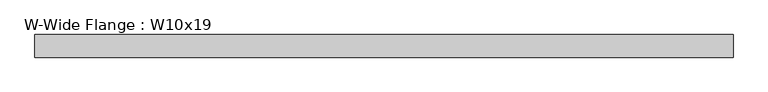
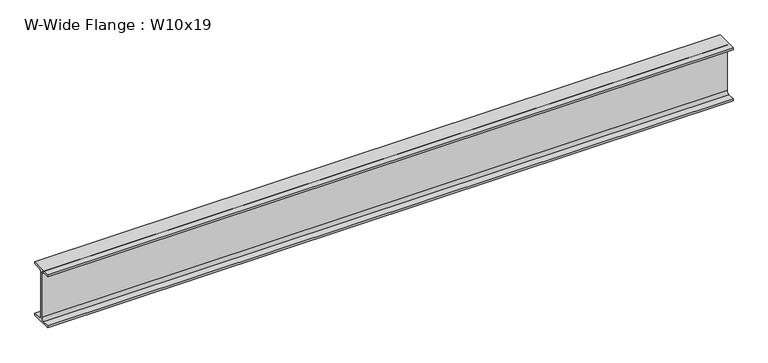
"""IFC4 building model written with IfcOpenShell, lengths in millimetres: beam geometry, W-Wide Flange : W10x19."""

from ifc_helpers import new_model, si_unit, point, frame, frame_2d, origin, place, context, project, spatial, polyline, circle_curve, trimmed, segment, composite_curve, outline, extrude, source, transform, mapped, element, save


def w_wide_flange_w10x19_125c3dc5(model_context):
    return source(origin(), model_context, "Body", "SweptSolid", [
        extrude(outline(composite_curve([segment(polyline([(51.054, -119.507), (51.054, -129.54), (-51.054, -129.54), (-51.054, -119.507), (-16.9545, -119.507)]), True, "CONTINUOUS"), segment(trimmed(circle_curve(frame_2d((-16.9545, -105.7275)), 13.7795), [point((-16.9545, -119.507))], [point((-3.175, -105.7275))], True, "CARTESIAN"), True, "CONTINUOUS"), segment(polyline([(-3.175, -105.7275), (-3.175, 105.7275)]), True, "CONTINUOUS"), segment(trimmed(circle_curve(frame_2d((-16.9545, 105.7275)), 13.7795), [point((-3.175, 105.7275))], [point((-16.9545, 119.507))], True, "CARTESIAN"), True, "CONTINUOUS"), segment(polyline([(-16.9545, 119.507), (-51.054, 119.507), (-51.054, 129.54), (51.054, 129.54), (51.054, 119.507), (16.9545, 119.507)]), True, "CONTINUOUS"), segment(trimmed(circle_curve(frame_2d((16.9545, 105.7275)), 13.7795), [point((16.9545, 119.507))], [point((3.175, 105.7275))], True, "CARTESIAN"), True, "CONTINUOUS"), segment(polyline([(3.175, 105.7275), (3.175, -105.7275)]), True, "CONTINUOUS"), segment(trimmed(circle_curve(frame_2d((16.9545, -105.7275)), 13.7795), [point((3.175, -105.7275))], [point((16.9545, -119.507))], True, "CARTESIAN"), True, "CONTINUOUS"), segment(polyline([(16.9545, -119.507), (51.054, -119.507)]), True, "CONTINUOUS")], self_intersect=False)), frame((-1499.8506998, 0.0, 0.0), z_axis=(1.0, 0.0, 0.0), x_axis=(0.0, 1.0, 0.0)), (0.0, 0.0, 1.0), 3152.1013996),
    ])


if __name__ == "__main__":
    model = new_model("IFC4")
    model_context = context("Model", 3, world=origin())
    ifc_project = project(units=[si_unit("LENGTHUNIT", "METRE", prefix="MILLI")], contexts=[model_context])
    site = spatial("IfcSite", under=ifc_project)
    building = spatial("IfcBuilding", under=site)
    placement = place(None, origin())
    w_wide_flange_w10x19_shape = w_wide_flange_w10x19_125c3dc5(model_context)
    element("IfcBeam", 1, ObjectType="W-Wide Flange : W10x19", at=placement, inside=building, context=model_context, shape_type="MappedRepresentation", body=[
        mapped(w_wide_flange_w10x19_shape, transform((0.0, 0.0, 0.0), x_axis=(1.0, 0.0, 0.0), y_axis=(0.0, 1.0, 0.0), z_axis=(0.0, 0.0, 1.0))),
    ])
    save(model, "model.ifc")
